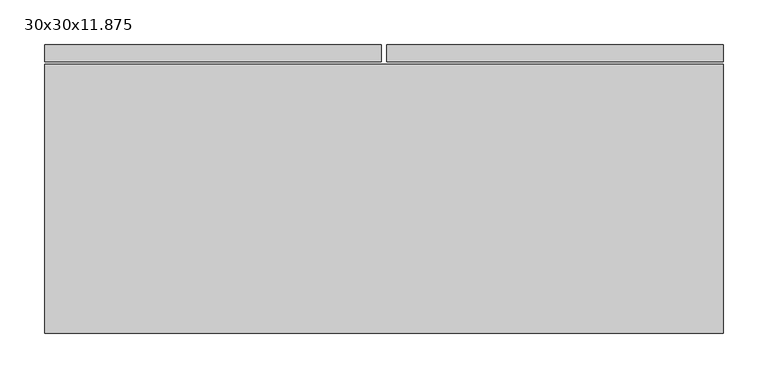
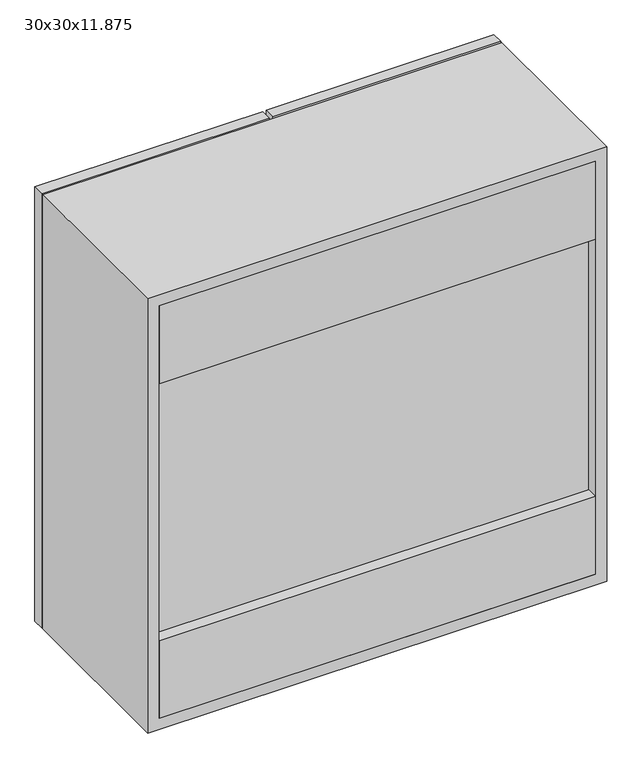
"""IFC4 building model written with IfcOpenShell, lengths in millimetres: furniture geometry, 30x30x11.875."""

from ifc_helpers import new_model, si_unit, frame, origin, place, context, project, spatial, polyline, outline, extrude, faceted_brep, source, transform, mapped, element, save


def furniture_30x30x11_875_b464a5aa(model_context):
    return source(origin(), model_context, "Body", "SolidModel", [
        extrude(outline(polyline([(-332.1788372, 101.6), (391.7211628, 101.6), (391.7211628, 82.55), (-332.1788372, 82.55), (-332.1788372, 101.6)])), frame((0.0, 0.0, 1390.65), z_axis=(0.0, 0.0, 1.0), x_axis=(1.0, 0.0, 0.0)), (0.0, 0.0, 1.0), 136.525),
        extrude(outline(polyline([(-332.1788372, 101.6), (391.7211628, 101.6), (391.7211628, 82.55), (-332.1788372, 82.55), (-332.1788372, 101.6)])), frame((0.0, 0.0, 1978.025), z_axis=(0.0, 0.0, 1.0), x_axis=(1.0, 0.0, 0.0)), (0.0, 0.0, 1.0), 136.525),
        faceted_brep([(-351.2288372, 82.55, 2133.6), (-351.2288372, 82.55, 1371.6), (410.7711628, 82.55, 1371.6), (410.7711628, 82.55, 2133.6), (-332.1788372, 82.55, 2114.55), (391.7211628, 82.55, 2114.55), (391.7211628, 82.55, 1390.65), (-332.1788372, 82.55, 1390.65), (-351.2288372, 384.175, 2133.6), (-351.2288372, 384.175, 1371.6), (410.7711628, 384.175, 1371.6), (410.7711628, 384.175, 2133.6), (391.7211628, 101.6, 2114.55), (391.7211628, 101.6, 1390.65), (391.7211628, 384.175, 2114.55), (391.7211628, 384.175, 1390.65), (391.7211628, 107.95, 1390.65), (391.7211628, 107.95, 2114.55), (-332.1788372, 101.6, 1390.65), (-332.1788372, 384.175, 1390.65), (-332.1788372, 107.95, 1390.65), (-332.1788372, 101.6, 2114.55), (-332.1788372, 384.175, 2114.55), (-332.1788372, 107.95, 2114.55)], [[[0, 1, 2, 3], [4, 5, 6, 7]], [[1, 0, 8, 9]], [[2, 1, 9, 10]], [[3, 2, 10, 11]], [[6, 5, 12, 13]], [[14, 15, 16, 17]], [[7, 6, 13, 18]], [[15, 19, 20, 16]], [[4, 7, 18, 21]], [[19, 22, 23, 20]], [[8, 11, 10, 9], [22, 19, 15, 14]], [[12, 21, 18, 13]], [[23, 17, 16, 20]], [[0, 3, 11, 8]], [[5, 4, 21, 12]], [[22, 14, 17, 23]]]),
        extrude(outline(polyline([(-351.2288372, 406.4), (26.5961628, 406.4), (26.5961628, 387.35), (-351.2288372, 387.35), (-351.2288372, 406.4)])), frame((0.0, 0.0, 1371.6), z_axis=(0.0, 0.0, 1.0), x_axis=(1.0, 0.0, 0.0)), (0.0, 0.0, 1.0), 762.0),
        extrude(outline(polyline([(32.9461628, 406.4), (410.7711628, 406.4), (410.7711628, 387.35), (32.9461628, 387.35), (32.9461628, 406.4)])), frame((0.0, 0.0, 1371.6), z_axis=(0.0, 0.0, 1.0), x_axis=(1.0, 0.0, 0.0)), (0.0, 0.0, 1.0), 762.0),
        extrude(outline(polyline([(391.7211628, 107.95), (-332.1788372, 107.95), (-332.1788372, 384.175), (391.7211628, 384.175), (391.7211628, 107.95)])), frame((0.0, 0.0, 1870.075), z_axis=(0.0, 0.0, 1.0), x_axis=(1.0, 0.0, 0.0)), (0.0, 0.0, 1.0), 19.05),
        extrude(outline(polyline([(391.7211628, 107.95), (-332.1788372, 107.95), (-332.1788372, 384.175), (391.7211628, 384.175), (391.7211628, 107.95)])), frame((0.0, 0.0, 1616.075), z_axis=(0.0, 0.0, 1.0), x_axis=(1.0, 0.0, 0.0)), (0.0, 0.0, 1.0), 19.05),
    ])


if __name__ == "__main__":
    model = new_model("IFC4")
    model_context = context("Model", 3, world=origin())
    ifc_project = project(units=[si_unit("LENGTHUNIT", "METRE", prefix="MILLI")], contexts=[model_context])
    site = spatial("IfcSite", under=ifc_project)
    building = spatial("IfcBuilding", under=site)
    placement = place(None, origin())
    furniture_30x30x11_875_shape = furniture_30x30x11_875_b464a5aa(model_context)
    element("IfcFurniture", 1, ObjectType="30x30x11.875", at=placement, inside=building, context=model_context, shape_type="MappedRepresentation", body=[
        mapped(furniture_30x30x11_875_shape, transform((0.0, 0.0, 0.0), x_axis=(1.0, 0.0, 0.0), y_axis=(0.0, 1.0, 0.0), z_axis=(0.0, 0.0, 1.0))),
    ])
    save(model, "model.ifc")
